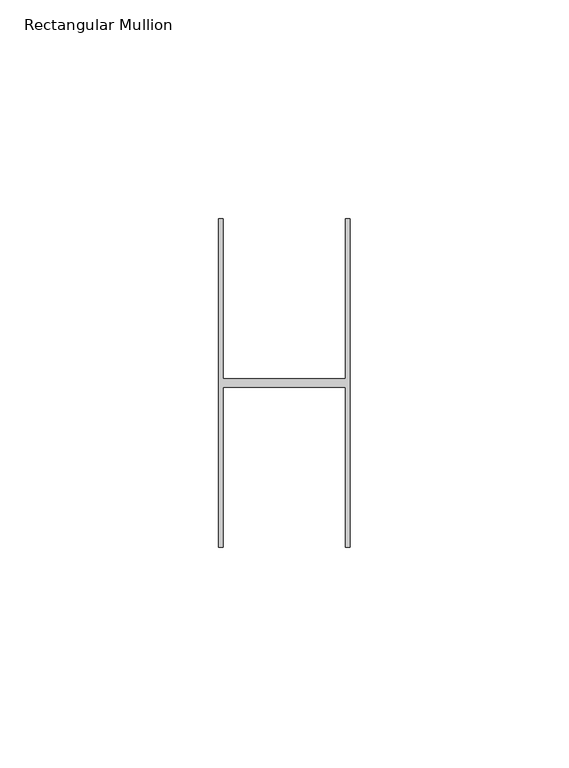
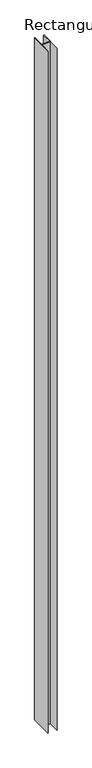
"""IFC4 building model written with IfcOpenShell, lengths in millimetres: member geometry, Rectangular Mullion."""

from ifc_helpers import new_model, si_unit, frame, origin, place, context, project, spatial, polyline, outline, extrude, source, transform, mapped, element, save


def rectangular_mullion_1f6c60eb(model_context):
    return source(origin(), model_context, "Body", "SweptSolid", [
        extrude(outline(polyline([(15.0, 37.5), (15.0, -37.5), (14.0, -37.5), (14.0, -1.0), (-14.0, -1.0), (-14.0, -37.5), (-15.0, -37.5), (-15.0, 37.5), (-14.0, 37.5), (-14.0, 1.0), (14.0, 1.0), (14.0, 37.5), (15.0, 37.5)])), frame((0.0, 0.0, -2350.186), z_axis=(0.0, 0.0, 1.0), x_axis=(1.0, 0.0, 0.0)), (0.0, 0.0, 1.0), 2350.186),
    ])


if __name__ == "__main__":
    model = new_model("IFC4")
    model_context = context("Model", 3, world=origin())
    ifc_project = project(units=[si_unit("LENGTHUNIT", "METRE", prefix="MILLI")], contexts=[model_context])
    site = spatial("IfcSite", under=ifc_project)
    building = spatial("IfcBuilding", under=site)
    placement = place(None, origin())
    rectangular_mullion_shape = rectangular_mullion_1f6c60eb(model_context)
    element("IfcMember", 1, ObjectType="Rectangular Mullion", at=placement, inside=building, context=model_context, shape_type="MappedRepresentation", body=[
        mapped(rectangular_mullion_shape, transform((0.0, 0.0, 0.0), x_axis=(1.0, 0.0, 0.0), y_axis=(0.0, 1.0, 0.0), z_axis=(0.0, 0.0, 1.0))),
    ])
    save(model, "model.ifc")
